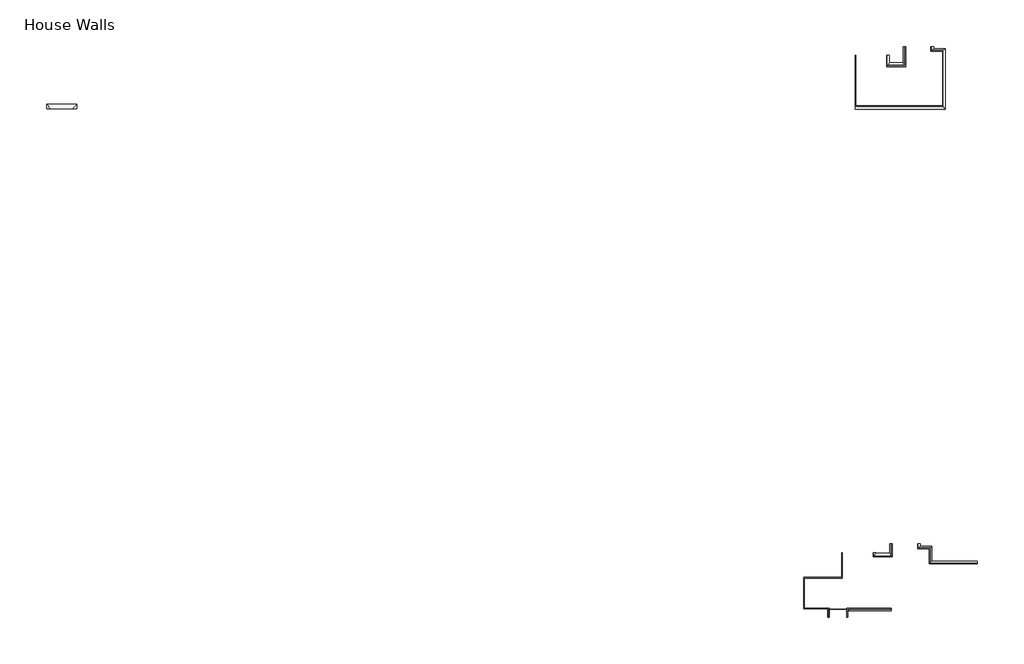
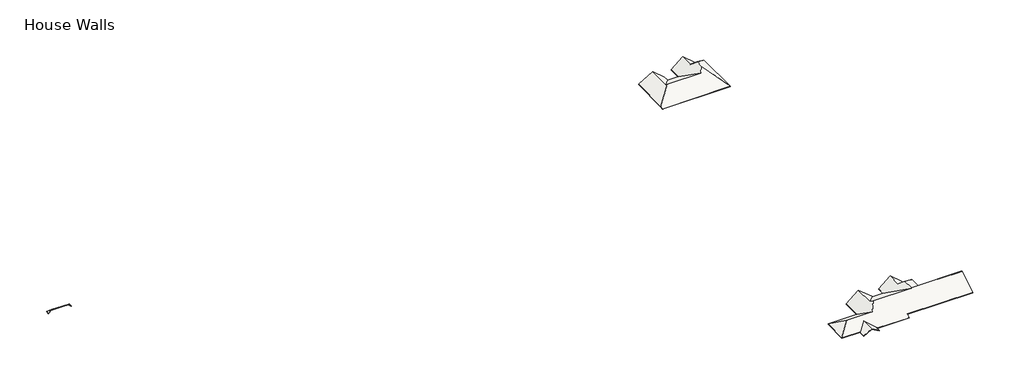
# One storey: 3 roofs.
"""IFC4 building model written with IfcOpenShell, lengths in millimetres."""

from ifc_helpers import new_model, si_unit, origin, place, context, project, spatial, faceted_brep, element, save

model = new_model("IFC4")

# Units and contexts
model_context = context("Model", 3, world=origin())
ifc_project = project(units=[si_unit("LENGTHUNIT", "METRE", prefix="MILLI")], contexts=[model_context])

# Site, building, storey
site = spatial("IfcSite", under=ifc_project)
building = spatial("IfcBuilding", under=site)
storey = spatial("IfcBuildingStorey", under=building, Name="House Walls", Elevation=33708.975)

# Roofs
placement = place(None, origin())
element("IfcRoof", 1, ObjectType="Wood Rafter 6\" - Asphalt Shingle", at=placement, inside=storey, context=model_context, shape_type="Brep", body=[
    faceted_brep([(6586.1718692, -31426.2202609, 33600.628125), (5366.9718692, -32645.4202609, 34616.628125), (-768.7156308, -32645.4202609, 34616.628125), (-1987.9156308, -31426.2202609, 33600.628125), (6586.1718692, -32645.4202609, 33600.628125), (-1987.9156308, -32645.4202609, 33600.628125), (6586.1718692, -31426.2202609, 33799.0084668), (-1987.9156308, -31426.2202609, 33799.0084668), (-768.7156308, -32645.4202609, 34815.0084668), (5366.9718692, -32645.4202609, 34815.0084668), (6586.1718692, -32645.4202609, 33799.0084668), (-1987.9156308, -32645.4202609, 33799.0084668)], [[[0, 1, 2, 3]], [[0, 4, 1]], [[2, 5, 3]], [[6, 7, 8, 9]], [[10, 6, 9]], [[11, 8, 7]], [[3, 7, 6, 0]], [[5, 11, 7, 3]], [[0, 6, 10, 4]], [[10, 9, 8, 11, 5, 2, 1, 4]]]),
])
element("IfcRoof", 2, ObjectType="Wood Rafter 6\" - Asphalt Shingle", at=placement, inside=storey, context=model_context, shape_type="Brep", body=[
    faceted_brep([(227655.7275759, -17574.1308485, 34785.3), (233004.3051854, -17574.1308485, 37905.3036056), (233004.3051854, -25851.645958, 37905.3036056), (233429.4650759, -26276.8058485, 38153.3135417), (227655.7275759, -32050.5433485, 34785.3), (227655.7275759, -17574.1308485, 34961.7340387), (227655.7275759, -32050.5433485, 34961.7340387), (233429.4650759, -26276.8058485, 38329.7475803), (233019.7966935, -25867.1374661, 38090.7743573), (233019.7966935, -17574.1308485, 38090.7743573), (237308.3795121, -17574.1308485, 34318.575), (237308.3795121, -19702.9683485, 34318.575), (237334.7150759, -17574.1308485, 34495.0090387), (237334.7150759, -19702.9683485, 34495.0090387), (237334.7150759, -17574.1308485, 34318.575), (237334.7150759, -19702.9683485, 34318.575), (249921.0670121, -15034.1308485, 34318.575), (249921.0670121, -15679.5911438, 34318.575), (245616.7025759, -19983.9555801, 37905.5453636), (245616.7025759, -15034.1308485, 37905.5453636), (253205.6045121, -15679.5911438, 34318.575), (247258.9713259, -21626.2243301, 39274.1026552), (253205.6045121, -32850.6433485, 34318.575), (247258.9713259, -24355.4530823, 39274.1026552), (249947.4025759, -15653.2555801, 34495.0090387), (249947.4025759, -15034.1308485, 34495.0090387), (245616.7025759, -15034.1308485, 38103.9257053), (245616.7025759, -19983.9555801, 38103.9257053), (253231.9400759, -15653.2555801, 34495.0090387), (247258.9713259, -21626.2243301, 39472.482997), (253231.9400759, -32850.6433485, 34495.0090387), (247258.9713259, -24317.8308485, 39472.482997), (253231.9400759, -15653.2555801, 34318.575), (253231.9400759, -32850.6433485, 34318.575), (249947.4025759, -15653.2555801, 34318.575), (249947.4025759, -15034.1308485, 34318.575), (241286.0025759, -15034.1308485, 34495.0090387), (241312.3381396, -15034.1308485, 34318.575), (241286.0025759, -15034.1308485, 34318.575), (245914.0243896, -26276.8058485, 38153.3135417), (241312.3381396, -19702.9683485, 34318.575), (241286.0025759, -19702.9683485, 34495.0090387), (245887.6888259, -26276.8058485, 38329.7475803), (241286.0025759, -19702.9683485, 34318.575), (227655.7275759, -32850.6433485, 34318.575), (227655.7275759, -32850.6433485, 34495.0090387)], [[[0, 1, 2, 3, 4]], [[5, 6, 7, 8, 9]], [[4, 6, 5, 0]], [[10, 11, 2, 1]], [[12, 9, 8, 13]], [[14, 12, 13, 15]], [[5, 9, 12, 14, 10, 1, 0]], [[16, 17, 18, 19]], [[20, 21, 18, 17]], [[22, 23, 21, 20]], [[24, 25, 26, 27]], [[28, 24, 27, 29]], [[30, 28, 29, 31]], [[32, 28, 30, 33]], [[34, 24, 28, 32]], [[35, 25, 24, 34]], [[36, 26, 25, 35, 16, 19, 37, 38]], [[37, 19, 18, 21, 23, 39, 40]], [[36, 41, 42, 31, 29, 27, 26]], [[43, 41, 36, 38]], [[14, 15, 11, 10]], [[40, 39, 3, 2, 11, 15, 43]], [[41, 13, 8, 7, 42]], [[15, 13, 41, 43]], [[43, 38, 37, 40]], [[44, 4, 3, 39, 23, 22]], [[6, 45, 30, 31, 42, 7]], [[33, 30, 45, 44, 22]], [[35, 34, 32, 33, 22, 20, 17, 16]], [[45, 6, 4, 44]]]),
])
element("IfcRoof", 3, ObjectType="Wood Rafter 6\" - Asphalt Shingle", at=placement, inside=storey, context=model_context, shape_type="Brep", body=[
    faceted_brep([(213033.0640614, -165786.8637286, 34785.3), (217503.4640614, -170257.2637286, 37393.0333333), (213033.0640614, -174727.6637286, 34785.3), (262409.0765614, -174118.0637286, 35140.9), (237864.7390614, -174118.0637286, 35140.9), (237864.7390614, -175337.2637286, 34429.7), (226063.7176328, -175337.2637286, 34429.7), (222766.0265614, -172039.5726572, 36353.353125), (219903.7640614, -174901.8351572, 34683.7), (219903.7640614, -174727.6637286, 34785.3), (226983.6796251, -170257.2637286, 37393.0333333), (229098.9440001, -167235.4574786, 39155.7536458), (243289.2890001, -167235.4574786, 39155.7536458), (243444.4755933, -167013.7623456, 39285.0758068), (243485.2361377, -167071.9916947, 39251.1086865), (262409.0765614, -167071.9916947, 39251.1086865), (223854.3996251, -158841.5512286, 34785.3), (228387.5228114, -158841.5512286, 38562.9026552), (228387.5228114, -166219.1414947, 38562.9026552), (223854.3996251, -165786.8637286, 34785.3), (223828.0640614, -165786.8637286, 34785.3), (262409.0765614, -161152.951271, 34318.575), (249404.2765614, -161152.951271, 34318.575), (213033.0640614, -165786.8637286, 34961.7340387), (213033.0640614, -174727.6637286, 34961.7340387), (217503.4640614, -170257.2637286, 37569.467372), (262409.0765614, -174118.0637286, 35317.3340387), (262409.0765614, -167056.5001866, 39436.5794382), (243500.7276457, -167056.5001866, 39436.5794382), (243444.4755933, -166976.1401117, 39483.4561486), (243262.9534364, -167235.4574786, 39332.1876845), (229072.6084364, -167235.4574786, 39332.1876845), (226957.3440614, -170257.2637286, 37569.467372), (219903.7640614, -174727.6637286, 34961.7340387), (219903.7640614, -174901.8351572, 34860.1340387), (222766.0265614, -172039.5726572, 36529.7871637), (226063.7176328, -175337.2637286, 34606.1340387), (237864.7390614, -175337.2637286, 34606.1340387), (237864.7390614, -174118.0637286, 35317.3340387), (223828.0640614, -158841.5512286, 34961.7340387), (223828.0640614, -165786.8637286, 34961.7340387), (228387.5228114, -166256.7637286, 38761.282997), (228387.5228114, -158841.5512286, 38761.282997), (262409.0765614, -161152.951271, 34516.9553418), (249404.2765614, -161152.951271, 34516.9553418), (223828.0640614, -158841.5512286, 34785.3), (225628.2890614, -177166.0637286, 34683.7), (222766.0265614, -177166.0637286, 36353.353125), (225628.2890614, -175337.2637286, 34683.7), (225628.2890614, -177166.0637286, 34860.1340387), (225628.2890614, -175337.2637286, 34860.1340387), (222766.0265614, -177166.0637286, 36529.7871637), (219903.7640614, -177166.0637286, 34860.1340387), (219903.7640614, -177166.0637286, 34683.7), (233480.7159977, -158841.5512286, 34318.575), (233480.7159977, -158943.1512286, 34318.575), (233507.0515614, -158943.1512286, 34495.0090387), (233507.0515614, -158841.5512286, 34495.0090387), (233507.0515614, -158841.5512286, 34318.575), (233507.0515614, -158943.1512286, 34318.575), (246119.7390614, -156301.5512286, 34318.575), (246119.7390614, -156920.6759602, 34318.575), (241802.2068433, -161238.2081784, 37916.5185151), (241802.2068433, -156301.5512286, 37916.5185151), (249404.2765614, -156920.6759602, 34318.575), (243444.4755933, -162880.4769284, 39285.0758068), (246119.7390614, -156920.6759602, 34516.9553418), (246119.7390614, -156301.5512286, 34516.9553418), (241802.2068433, -156301.5512286, 38114.8988569), (241802.2068433, -161238.2081784, 38114.8988569), (249404.2765614, -156920.6759602, 34516.9553418), (243444.4755933, -162880.4769284, 39483.4561486), (237458.3390614, -156301.5512286, 34495.0090387), (237484.6746251, -156301.5512286, 34318.575), (237458.3390614, -156301.5512286, 34318.575), (237484.6746251, -158943.1512286, 34318.575), (237458.3390614, -158943.1512286, 34495.0090387), (237458.3390614, -158943.1512286, 34318.575)], [[[0, 1, 2]], [[3, 4, 5, 6, 7, 8, 9, 2, 1, 10, 11, 12, 13, 14, 15]], [[16, 17, 18, 11, 10, 19]], [[19, 10, 1, 0, 20]], [[21, 15, 14, 22]], [[23, 24, 25]], [[26, 27, 28, 29, 30, 31, 32, 25, 24, 33, 34, 35, 36, 37, 38]], [[39, 40, 32, 31, 41, 42]], [[40, 23, 25, 32]], [[43, 44, 28, 27]], [[22, 44, 43, 21]], [[20, 40, 39, 45]], [[0, 23, 40, 20]], [[2, 24, 23, 0]], [[9, 33, 24, 2]], [[43, 27, 26, 3, 15, 21]], [[3, 26, 38, 4]], [[20, 45, 16, 19]], [[38, 37, 5, 4]], [[46, 47, 7, 6, 48]], [[49, 50, 36, 35, 51]], [[48, 50, 49, 46]], [[36, 50, 48, 6]], [[34, 33, 9, 8]], [[49, 51, 52, 53, 47, 46]], [[54, 55, 18, 17]], [[56, 57, 42, 41]], [[58, 57, 56, 59]], [[39, 42, 57, 58, 54, 17, 16, 45]], [[60, 61, 62, 63]], [[64, 65, 62, 61]], [[22, 14, 13, 65, 64]], [[66, 67, 68, 69]], [[70, 66, 69, 71]], [[44, 70, 71, 29, 28]], [[64, 70, 44, 22]], [[61, 66, 70, 64]], [[60, 67, 66, 61]], [[72, 68, 67, 60, 63, 73, 74]], [[73, 63, 62, 65, 13, 12, 75]], [[72, 76, 30, 29, 71, 69, 68]], [[77, 76, 72, 74]], [[58, 59, 55, 54]], [[8, 7, 47, 53]], [[75, 12, 11, 18, 55, 59, 77]], [[34, 52, 51, 35]], [[76, 56, 41, 31, 30]], [[59, 56, 76, 77]], [[53, 52, 34, 8]], [[5, 37, 36, 6]], [[77, 74, 73, 75]]]),
])

save(model, "model.ifc")
